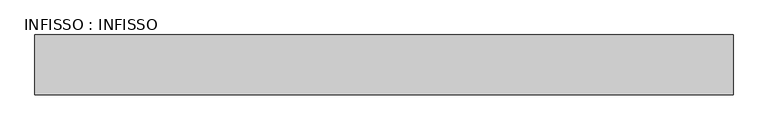
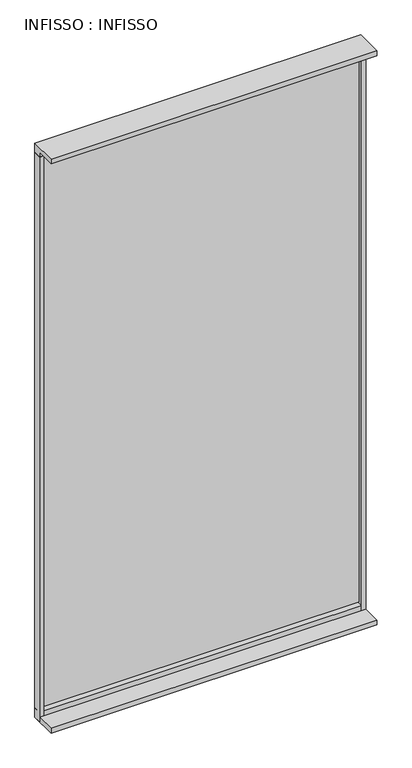
"""IFC4 building model written with IfcOpenShell, lengths in millimetres: plate geometry, INFISSO : INFISSO."""

from ifc_helpers import new_model, si_unit, frame, origin, origin_with_axes, place, context, project, spatial, polyline, outline, extrude, source, transform, mapped, element, save


def infisso_infisso_c95c57ca(model_context):
    return source(origin(), model_context, "Body", "SweptSolid", [
        extrude(outline(polyline([(970.0, -25.0), (-970.0, -25.0), (-970.0, -13.0823211), (970.0, -13.0823211), (970.0, -25.0)])), frame((0.0, 0.0, 70.0), z_axis=(0.0, 0.0, 1.0), x_axis=(1.0, 0.0, 0.0)), (0.0, 0.0, 1.0), 3570.0),
        extrude(outline(polyline([(-995.0, 0.0), (-970.0, 0.0), (-970.0, -50.0), (-995.0, -50.0), (-995.0, 0.0)])), origin_with_axes(), (0.0, 0.0, 1.0), 3640.0),
        extrude(outline(polyline([(970.0, 0.0), (995.0, 0.0), (995.0, -50.0), (970.0, -50.0), (970.0, 0.0)])), origin_with_axes(), (0.0, 0.0, 1.0), 3640.0),
        extrude(outline(polyline([(0.0, 3700.0), (0.0, 3640.0), (-50.0, 3640.0), (-50.0, 3670.0), (-170.0, 3670.0), (-170.0, 3700.0), (0.0, 3700.0)])), frame((-995.0, 0.0, 0.0), z_axis=(1.0, 0.0, 0.0), x_axis=(0.0, 1.0, 0.0)), (0.0, 0.0, 1.0), 1990.0),
        extrude(outline(polyline([(0.0, 0.0), (-170.0, 0.0), (-170.0, 30.0), (-50.0, 30.0), (-50.0, 60.0), (0.0, 60.0), (0.0, 0.0)])), frame((-995.0, 0.0, 0.0), z_axis=(1.0, 0.0, 0.0), x_axis=(0.0, 1.0, 0.0)), (0.0, 0.0, 1.0), 1990.0),
    ])


if __name__ == "__main__":
    model = new_model("IFC4")
    model_context = context("Model", 3, world=origin())
    ifc_project = project(units=[si_unit("LENGTHUNIT", "METRE", prefix="MILLI")], contexts=[model_context])
    site = spatial("IfcSite", under=ifc_project)
    building = spatial("IfcBuilding", under=site)
    placement = place(None, origin())
    infisso_infisso_shape = infisso_infisso_c95c57ca(model_context)
    element("IfcPlate", 1, ObjectType="INFISSO : INFISSO", at=placement, inside=building, context=model_context, shape_type="MappedRepresentation", body=[
        mapped(infisso_infisso_shape, transform((0.0, 0.0, 0.0), x_axis=(1.0, 0.0, 0.0), y_axis=(0.0, 1.0, 0.0), z_axis=(0.0, 0.0, 1.0))),
    ])
    save(model, "model.ifc")
